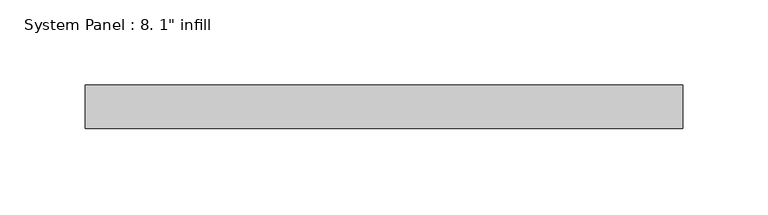
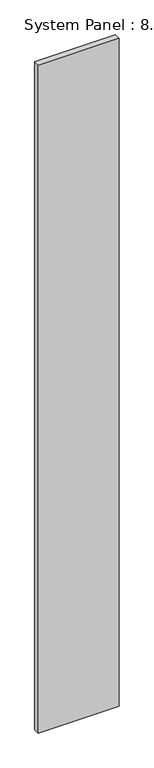
"""IFC4 building model written with IfcOpenShell, lengths in millimetres: plate geometry."""

from ifc_helpers import new_model, si_unit, origin, origin_with_axes, place, context, project, spatial, polyline, outline, extrude, source, transform, mapped, element, save


def plate_673a3948(model_context):
    return source(origin(), model_context, "Body", "SweptSolid", [
        extrude(outline(polyline([(174.625, -25.4), (-174.625, -25.4), (-174.625, 0.0), (174.625, 0.0), (174.625, -25.4)])), origin_with_axes(), (0.0, 0.0, 1.0), 3048.0),
    ])


if __name__ == "__main__":
    model = new_model("IFC4")
    model_context = context("Model", 3, world=origin())
    ifc_project = project(units=[si_unit("LENGTHUNIT", "METRE", prefix="MILLI")], contexts=[model_context])
    site = spatial("IfcSite", under=ifc_project)
    building = spatial("IfcBuilding", under=site)
    placement = place(None, origin())
    plate_shape = plate_673a3948(model_context)
    element("IfcPlate", 1, ObjectType="System Panel : 8. 1\" infill", at=placement, inside=building, context=model_context, shape_type="MappedRepresentation", body=[
        mapped(plate_shape, transform((0.0, 0.0, 0.0), x_axis=(1.0, 0.0, 0.0), y_axis=(0.0, 1.0, 0.0), z_axis=(0.0, 0.0, 1.0))),
    ])
    save(model, "model.ifc")
